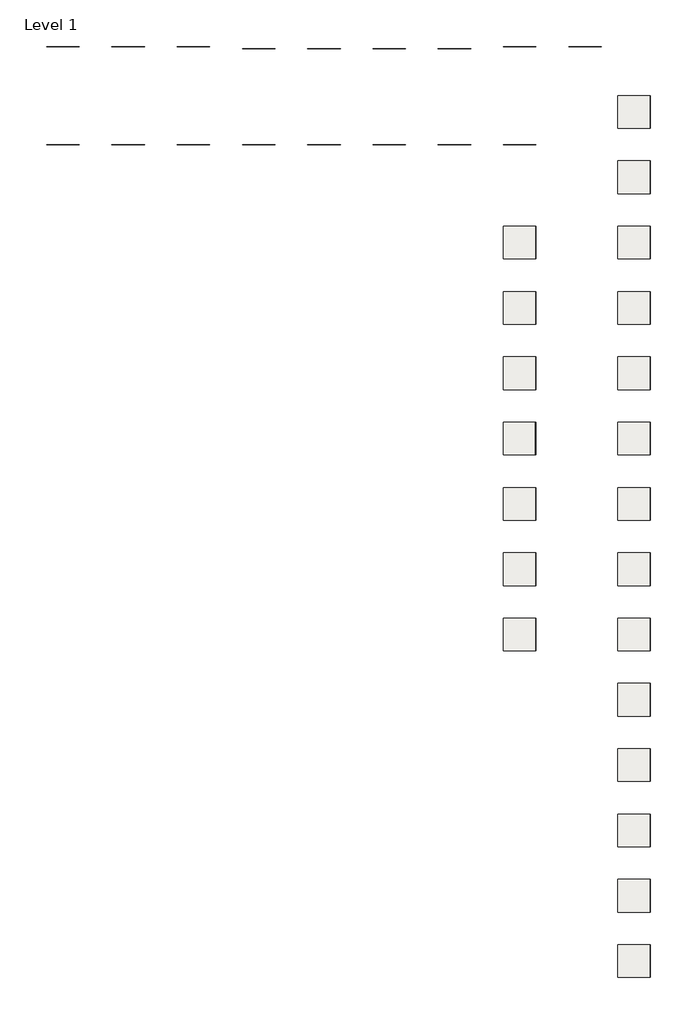
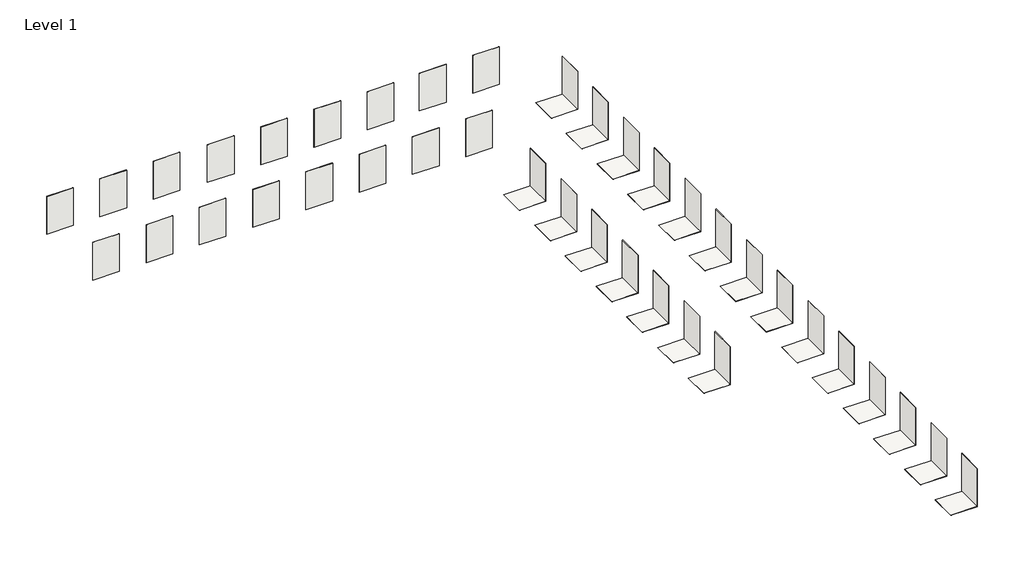
# One storey: 59 coverings.
"""IFC4 building model written with IfcOpenShell, lengths in millimetres."""

from ifc_helpers import new_model, si_unit, frame, origin, origin_with_axes, place, context, project, spatial, polyline, outline, extrude, element, save

model = new_model("IFC4")

# Units and contexts
model_context = context("Model", 3, world=origin())
ifc_project = project(units=[si_unit("LENGTHUNIT", "METRE", prefix="MILLI")], contexts=[model_context])

# Site, building, storey
site = spatial("IfcSite", under=ifc_project)
building = spatial("IfcBuilding", under=site)
storey = spatial("IfcBuildingStorey", under=building, Name="Level 1", Elevation=0.0)

# Coverings
placement = place(None, origin())
element("IfcCovering", 1, at=placement, inside=storey, context=model_context, shape_type="SweptSolid", body=[
    extrude(outline(polyline([(3527.0774266, -4501.9826748), (1527.0774266, -4501.9826748), (1527.0774266, -2501.9826748), (3527.0774266, -2501.9826748), (3527.0774266, -4501.9826748)])), frame((0.0, 0.0, -10.5), z_axis=(0.0, 0.0, 1.0), x_axis=(1.0, 0.0, 0.0)), (0.0, 0.0, 1.0), 10.5),
])
element("IfcCovering", 2, at=placement, inside=storey, context=model_context, shape_type="SweptSolid", body=[
    extrude(outline(polyline([(3516.5774266, -4501.9826748), (3516.5774266, -2501.9826748), (3527.0774266, -2501.9826748), (3527.0774266, -4501.9826748), (3516.5774266, -4501.9826748)])), origin_with_axes(), (0.0, 0.0, 1.0), 3000.0),
])
element("IfcCovering", 3, at=placement, inside=storey, context=model_context, shape_type="SweptSolid", body=[
    extrude(outline(polyline([(3527.0774266, -8501.9826748), (1527.0774266, -8501.9826748), (1527.0774266, -6501.9826748), (3527.0774266, -6501.9826748), (3527.0774266, -8501.9826748)])), frame((0.0, 0.0, -10.5), z_axis=(0.0, 0.0, 1.0), x_axis=(1.0, 0.0, 0.0)), (0.0, 0.0, 1.0), 10.5),
])
element("IfcCovering", 4, at=placement, inside=storey, context=model_context, shape_type="SweptSolid", body=[
    extrude(outline(polyline([(3516.5774266, -8501.9826748), (3516.5774266, -6501.9826748), (3527.0774266, -6501.9826748), (3527.0774266, -8501.9826748), (3516.5774266, -8501.9826748)])), origin_with_axes(), (0.0, 0.0, 1.0), 3000.0),
])
element("IfcCovering", 5, at=placement, inside=storey, context=model_context, shape_type="SweptSolid", body=[
    extrude(outline(polyline([(3527.0774266, 3498.0173252), (1527.0774266, 3498.0173252), (1527.0774266, 5498.0173252), (3527.0774266, 5498.0173252), (3527.0774266, 3498.0173252)])), frame((0.0, 0.0, -10.5), z_axis=(0.0, 0.0, 1.0), x_axis=(1.0, 0.0, 0.0)), (0.0, 0.0, 1.0), 10.5),
])
element("IfcCovering", 6, at=placement, inside=storey, context=model_context, shape_type="SweptSolid", body=[
    extrude(outline(polyline([(3516.5774266, 3498.0173252), (3516.5774266, 5498.0173252), (3527.0774266, 5498.0173252), (3527.0774266, 3498.0173252), (3516.5774266, 3498.0173252)])), origin_with_axes(), (0.0, 0.0, 1.0), 3000.0),
])
element("IfcCovering", 7, at=placement, inside=storey, context=model_context, shape_type="SweptSolid", body=[
    extrude(outline(polyline([(3527.0774266, -501.9826748), (1527.0774266, -501.9826748), (1527.0774266, 1498.0173252), (3527.0774266, 1498.0173252), (3527.0774266, -501.9826748)])), frame((0.0, 0.0, -10.5), z_axis=(0.0, 0.0, 1.0), x_axis=(1.0, 0.0, 0.0)), (0.0, 0.0, 1.0), 10.5),
])
element("IfcCovering", 8, at=placement, inside=storey, context=model_context, shape_type="SweptSolid", body=[
    extrude(outline(polyline([(3516.5774266, -501.9826748), (3516.5774266, 1498.0173252), (3527.0774266, 1498.0173252), (3527.0774266, -501.9826748), (3516.5774266, -501.9826748)])), origin_with_axes(), (0.0, 0.0, 1.0), 3000.0),
])
element("IfcCovering", 9, at=placement, inside=storey, context=model_context, shape_type="SweptSolid", body=[
    extrude(outline(polyline([(3527.0774266, -12501.9826748), (1527.0774266, -12501.9826748), (1527.0774266, -10501.9826748), (3527.0774266, -10501.9826748), (3527.0774266, -12501.9826748)])), frame((0.0, 0.0, -10.5), z_axis=(0.0, 0.0, 1.0), x_axis=(1.0, 0.0, 0.0)), (0.0, 0.0, 1.0), 10.5),
])
element("IfcCovering", 10, at=placement, inside=storey, context=model_context, shape_type="SweptSolid", body=[
    extrude(outline(polyline([(3516.5774266, -12501.9826748), (3516.5774266, -10501.9826748), (3527.0774266, -10501.9826748), (3527.0774266, -12501.9826748), (3516.5774266, -12501.9826748)])), origin_with_axes(), (0.0, 0.0, 1.0), 3000.0),
])
element("IfcCovering", 11, at=placement, inside=storey, context=model_context, shape_type="SweptSolid", body=[
    extrude(outline(polyline([(3527.0774266, -16501.9826748), (1527.0774266, -16501.9826748), (1527.0774266, -14501.9826748), (3527.0774266, -14501.9826748), (3527.0774266, -16501.9826748)])), frame((0.0, 0.0, -10.5), z_axis=(0.0, 0.0, 1.0), x_axis=(1.0, 0.0, 0.0)), (0.0, 0.0, 1.0), 10.5),
])
element("IfcCovering", 12, at=placement, inside=storey, context=model_context, shape_type="SweptSolid", body=[
    extrude(outline(polyline([(3516.5774266, -16501.9826748), (3516.5774266, -14501.9826748), (3527.0774266, -14501.9826748), (3527.0774266, -16501.9826748), (3516.5774266, -16501.9826748)])), origin_with_axes(), (0.0, 0.0, 1.0), 3000.0),
])
element("IfcCovering", 13, at=placement, inside=storey, context=model_context, shape_type="SweptSolid", body=[
    extrude(outline(polyline([(3527.0774266, -20501.9826748), (1527.0774266, -20501.9826748), (1527.0774266, -18501.9826748), (3527.0774266, -18501.9826748), (3527.0774266, -20501.9826748)])), frame((0.0, 0.0, -11.5), z_axis=(0.0, 0.0, 1.0), x_axis=(1.0, 0.0, 0.0)), (0.0, 0.0, 1.0), 11.5),
])
element("IfcCovering", 14, at=placement, inside=storey, context=model_context, shape_type="SweptSolid", body=[
    extrude(outline(polyline([(3515.5774266, -20501.9826748), (3515.5774266, -18501.9826748), (3527.0774266, -18501.9826748), (3527.0774266, -20501.9826748), (3515.5774266, -20501.9826748)])), origin_with_axes(), (0.0, 0.0, 1.0), 3000.0),
])
element("IfcCovering", 15, at=placement, inside=storey, context=model_context, shape_type="SweptSolid", body=[
    extrude(outline(polyline([(3527.0774266, -24501.9826748), (1527.0774266, -24501.9826748), (1527.0774266, -22501.9826748), (3527.0774266, -22501.9826748), (3527.0774266, -24501.9826748)])), frame((0.0, 0.0, -11.5), z_axis=(0.0, 0.0, 1.0), x_axis=(1.0, 0.0, 0.0)), (0.0, 0.0, 1.0), 11.5),
])
element("IfcCovering", 16, at=placement, inside=storey, context=model_context, shape_type="SweptSolid", body=[
    extrude(outline(polyline([(3515.5774266, -24501.9826748), (3515.5774266, -22501.9826748), (3527.0774266, -22501.9826748), (3527.0774266, -24501.9826748), (3515.5774266, -24501.9826748)])), origin_with_axes(), (0.0, 0.0, 1.0), 3000.0),
])
element("IfcCovering", 17, at=placement, inside=storey, context=model_context, shape_type="SweptSolid", body=[
    extrude(outline(polyline([(3527.0774266, -28501.9826748), (1527.0774266, -28501.9826748), (1527.0774266, -26501.9826748), (3527.0774266, -26501.9826748), (3527.0774266, -28501.9826748)])), frame((0.0, 0.0, -11.5), z_axis=(0.0, 0.0, 1.0), x_axis=(1.0, 0.0, 0.0)), (0.0, 0.0, 1.0), 11.5),
])
element("IfcCovering", 18, at=placement, inside=storey, context=model_context, shape_type="SweptSolid", body=[
    extrude(outline(polyline([(3515.5774266, -28501.9826748), (3515.5774266, -26501.9826748), (3527.0774266, -26501.9826748), (3527.0774266, -28501.9826748), (3515.5774266, -28501.9826748)])), origin_with_axes(), (0.0, 0.0, 1.0), 3000.0),
])
element("IfcCovering", 19, at=placement, inside=storey, context=model_context, shape_type="SweptSolid", body=[
    extrude(outline(polyline([(3527.0774266, -32501.9826748), (1527.0774266, -32501.9826748), (1527.0774266, -30501.9826748), (3527.0774266, -30501.9826748), (3527.0774266, -32501.9826748)])), frame((0.0, 0.0, -11.5), z_axis=(0.0, 0.0, 1.0), x_axis=(1.0, 0.0, 0.0)), (0.0, 0.0, 1.0), 11.5),
])
element("IfcCovering", 20, at=placement, inside=storey, context=model_context, shape_type="SweptSolid", body=[
    extrude(outline(polyline([(3515.5774266, -32501.9826748), (3515.5774266, -30501.9826748), (3527.0774266, -30501.9826748), (3527.0774266, -32501.9826748), (3515.5774266, -32501.9826748)])), origin_with_axes(), (0.0, 0.0, 1.0), 3000.0),
])
element("IfcCovering", 21, at=placement, inside=storey, context=model_context, shape_type="SweptSolid", body=[
    extrude(outline(polyline([(3527.0774266, -36501.9826748), (1527.0774266, -36501.9826748), (1527.0774266, -34501.9826748), (3527.0774266, -34501.9826748), (3527.0774266, -36501.9826748)])), frame((0.0, 0.0, -9.4), z_axis=(0.0, 0.0, 1.0), x_axis=(1.0, 0.0, 0.0)), (0.0, 0.0, 1.0), 9.4),
])
element("IfcCovering", 22, at=placement, inside=storey, context=model_context, shape_type="SweptSolid", body=[
    extrude(outline(polyline([(3517.6774266, -36501.9826748), (3517.6774266, -34501.9826748), (3527.0774266, -34501.9826748), (3527.0774266, -36501.9826748), (3517.6774266, -36501.9826748)])), origin_with_axes(), (0.0, 0.0, 1.0), 3000.0),
])
element("IfcCovering", 23, at=placement, inside=storey, context=model_context, shape_type="SweptSolid", body=[
    extrude(outline(polyline([(3527.0774266, -40501.9826748), (1527.0774266, -40501.9826748), (1527.0774266, -38501.9826748), (3527.0774266, -38501.9826748), (3527.0774266, -40501.9826748)])), frame((0.0, 0.0, -9.4), z_axis=(0.0, 0.0, 1.0), x_axis=(1.0, 0.0, 0.0)), (0.0, 0.0, 1.0), 9.4),
])
element("IfcCovering", 24, at=placement, inside=storey, context=model_context, shape_type="SweptSolid", body=[
    extrude(outline(polyline([(3517.6774266, -40501.9826748), (3517.6774266, -38501.9826748), (3527.0774266, -38501.9826748), (3527.0774266, -40501.9826748), (3517.6774266, -40501.9826748)])), origin_with_axes(), (0.0, 0.0, 1.0), 3000.0),
])
element("IfcCovering", 25, at=placement, inside=storey, context=model_context, shape_type="SweptSolid", body=[
    extrude(outline(polyline([(3527.0774266, -44501.9826748), (1527.0774266, -44501.9826748), (1527.0774266, -42501.9826748), (3527.0774266, -42501.9826748), (3527.0774266, -44501.9826748)])), frame((0.0, 0.0, -9.4), z_axis=(0.0, 0.0, 1.0), x_axis=(1.0, 0.0, 0.0)), (0.0, 0.0, 1.0), 9.4),
])
element("IfcCovering", 26, at=placement, inside=storey, context=model_context, shape_type="SweptSolid", body=[
    extrude(outline(polyline([(3517.6774266, -44501.9826748), (3517.6774266, -42501.9826748), (3527.0774266, -42501.9826748), (3527.0774266, -44501.9826748), (3517.6774266, -44501.9826748)])), origin_with_axes(), (0.0, 0.0, 1.0), 3000.0),
])
element("IfcCovering", 27, at=placement, inside=storey, context=model_context, shape_type="SweptSolid", body=[
    extrude(outline(polyline([(3527.0774266, -48501.9826748), (1527.0774266, -48501.9826748), (1527.0774266, -46501.9826748), (3527.0774266, -46501.9826748), (3527.0774266, -48501.9826748)])), frame((0.0, 0.0, -10.5), z_axis=(0.0, 0.0, 1.0), x_axis=(1.0, 0.0, 0.0)), (0.0, 0.0, 1.0), 10.5),
])
element("IfcCovering", 28, at=placement, inside=storey, context=model_context, shape_type="SweptSolid", body=[
    extrude(outline(polyline([(3516.5774266, -48501.9826748), (3516.5774266, -46501.9826748), (3527.0774266, -46501.9826748), (3527.0774266, -48501.9826748), (3516.5774266, -48501.9826748)])), origin_with_axes(), (0.0, 0.0, 1.0), 3000.0),
])
element("IfcCovering", 29, at=placement, inside=storey, context=model_context, shape_type="SweptSolid", body=[
    extrude(outline(polyline([(-3482.9225734, -4501.9826748), (-3482.9225734, -2501.9826748), (-3472.9225734, -2501.9826748), (-3472.9225734, -4501.9826748), (-3482.9225734, -4501.9826748)])), origin_with_axes(), (0.0, 0.0, 1.0), 3000.0),
])
element("IfcCovering", 30, at=placement, inside=storey, context=model_context, shape_type="SweptSolid", body=[
    extrude(outline(polyline([(-31472.9225734, 8489.4173252), (-33472.9225734, 8489.4173252), (-33472.9225734, 8498.0173252), (-31472.9225734, 8498.0173252), (-31472.9225734, 8489.4173252)])), origin_with_axes(), (0.0, 0.0, 1.0), 3000.0),
])
element("IfcCovering", 31, at=placement, inside=storey, context=model_context, shape_type="SweptSolid", body=[
    extrude(outline(polyline([(-3482.9225734, -8501.9826748), (-3482.9225734, -6501.9826748), (-3472.9225734, -6501.9826748), (-3472.9225734, -8501.9826748), (-3482.9225734, -8501.9826748)])), origin_with_axes(), (0.0, 0.0, 1.0), 3000.0),
])
element("IfcCovering", 32, at=placement, inside=storey, context=model_context, shape_type="SweptSolid", body=[
    extrude(outline(polyline([(-3482.3225734, -12501.9826748), (-3482.3225734, -10501.9826748), (-3472.9225734, -10501.9826748), (-3472.9225734, -12501.9826748), (-3482.3225734, -12501.9826748)])), origin_with_axes(), (0.0, 0.0, 1.0), 3000.0),
])
element("IfcCovering", 33, at=placement, inside=storey, context=model_context, shape_type="SweptSolid", body=[
    extrude(outline(polyline([(-3512.9225734, -16501.9826748), (-3512.9225734, -14501.9826748), (-3472.9225734, -14501.9826748), (-3472.9225734, -16501.9826748), (-3512.9225734, -16501.9826748)])), origin_with_axes(), (0.0, 0.0, 1.0), 3000.0),
])
element("IfcCovering", 34, at=placement, inside=storey, context=model_context, shape_type="SweptSolid", body=[
    extrude(outline(polyline([(-3482.3225734, -20501.9826748), (-3482.3225734, -18501.9826748), (-3472.9225734, -18501.9826748), (-3472.9225734, -20501.9826748), (-3482.3225734, -20501.9826748)])), origin_with_axes(), (0.0, 0.0, 1.0), 3000.0),
])
element("IfcCovering", 35, at=placement, inside=storey, context=model_context, shape_type="SweptSolid", body=[
    extrude(outline(polyline([(-3482.9225734, -24501.9826748), (-3482.9225734, -22501.9826748), (-3472.9225734, -22501.9826748), (-3472.9225734, -24501.9826748), (-3482.9225734, -24501.9826748)])), origin_with_axes(), (0.0, 0.0, 1.0), 3000.0),
])
element("IfcCovering", 36, at=placement, inside=storey, context=model_context, shape_type="SweptSolid", body=[
    extrude(outline(polyline([(-3482.3225734, -28501.9826748), (-3482.3225734, -26501.9826748), (-3472.9225734, -26501.9826748), (-3472.9225734, -28501.9826748), (-3482.3225734, -28501.9826748)])), origin_with_axes(), (0.0, 0.0, 1.0), 3000.0),
])
element("IfcCovering", 37, at=placement, inside=storey, context=model_context, shape_type="SweptSolid", body=[
    extrude(outline(polyline([(-27472.9225734, 8489.4173252), (-29472.9225734, 8489.4173252), (-29472.9225734, 8499.0173252), (-27472.9225734, 8499.0173252), (-27472.9225734, 8489.4173252)])), origin_with_axes(), (0.0, 0.0, 1.0), 3000.0),
])
element("IfcCovering", 38, at=placement, inside=storey, context=model_context, shape_type="SweptSolid", body=[
    extrude(outline(polyline([(-3472.9225734, -4501.9826748), (-5472.9225734, -4501.9826748), (-5472.9225734, -2501.9826748), (-3472.9225734, -2501.9826748), (-3472.9225734, -4501.9826748)])), frame((0.0, 0.0, -10.0), z_axis=(0.0, 0.0, 1.0), x_axis=(1.0, 0.0, 0.0)), (0.0, 0.0, 1.0), 10.0),
])
element("IfcCovering", 39, at=placement, inside=storey, context=model_context, shape_type="SweptSolid", body=[
    extrude(outline(polyline([(-3472.9225734, -8501.9826748), (-5472.9225734, -8501.9826748), (-5472.9225734, -6501.9826748), (-3472.9225734, -6501.9826748), (-3472.9225734, -8501.9826748)])), frame((0.0, 0.0, -10.0), z_axis=(0.0, 0.0, 1.0), x_axis=(1.0, 0.0, 0.0)), (0.0, 0.0, 1.0), 10.0),
])
element("IfcCovering", 40, at=placement, inside=storey, context=model_context, shape_type="SweptSolid", body=[
    extrude(outline(polyline([(-3472.9225734, -12501.9826748), (-5472.9225734, -12501.9826748), (-5472.9225734, -10501.9826748), (-3472.9225734, -10501.9826748), (-3472.9225734, -12501.9826748)])), frame((0.0, 0.0, -9.4), z_axis=(0.0, 0.0, 1.0), x_axis=(1.0, 0.0, 0.0)), (0.0, 0.0, 1.0), 9.4),
])
element("IfcCovering", 41, at=placement, inside=storey, context=model_context, shape_type="SweptSolid", body=[
    extrude(outline(polyline([(-3472.9225734, -16501.9826748), (-5472.9225734, -16501.9826748), (-5472.9225734, -14501.9826748), (-3472.9225734, -14501.9826748), (-3472.9225734, -16501.9826748)])), frame((0.0, 0.0, -10.0), z_axis=(0.0, 0.0, 1.0), x_axis=(1.0, 0.0, 0.0)), (0.0, 0.0, 1.0), 10.0),
])
element("IfcCovering", 42, at=placement, inside=storey, context=model_context, shape_type="SweptSolid", body=[
    extrude(outline(polyline([(-3472.9225734, -20501.9826748), (-5472.9225734, -20501.9826748), (-5472.9225734, -18501.9826748), (-3472.9225734, -18501.9826748), (-3472.9225734, -20501.9826748)])), frame((0.0, 0.0, -9.4), z_axis=(0.0, 0.0, 1.0), x_axis=(1.0, 0.0, 0.0)), (0.0, 0.0, 1.0), 9.4),
])
element("IfcCovering", 43, at=placement, inside=storey, context=model_context, shape_type="SweptSolid", body=[
    extrude(outline(polyline([(-3472.9225734, -24501.9826748), (-5472.9225734, -24501.9826748), (-5472.9225734, -22501.9826748), (-3472.9225734, -22501.9826748), (-3472.9225734, -24501.9826748)])), frame((0.0, 0.0, -10.0), z_axis=(0.0, 0.0, 1.0), x_axis=(1.0, 0.0, 0.0)), (0.0, 0.0, 1.0), 10.0),
])
element("IfcCovering", 44, at=placement, inside=storey, context=model_context, shape_type="SweptSolid", body=[
    extrude(outline(polyline([(-3472.9225734, -28501.9826748), (-5472.9225734, -28501.9826748), (-5472.9225734, -26501.9826748), (-3472.9225734, -26501.9826748), (-3472.9225734, -28501.9826748)])), frame((0.0, 0.0, -9.4), z_axis=(0.0, 0.0, 1.0), x_axis=(1.0, 0.0, 0.0)), (0.0, 0.0, 1.0), 9.4),
])
element("IfcCovering", 45, at=placement, inside=storey, context=model_context, shape_type="SweptSolid", body=[
    extrude(outline(polyline([(-5472.9225734, 2488.8173252), (-3472.9225734, 2488.8173252), (-3472.9225734, 2476.8173252), (-5472.9225734, 2476.8173252), (-5472.9225734, 2488.8173252)])), origin_with_axes(), (0.0, 0.0, 1.0), 3000.0),
])
element("IfcCovering", 46, at=placement, inside=storey, context=model_context, shape_type="SweptSolid", body=[
    extrude(outline(polyline([(-9472.9225734, 2488.8173252), (-7472.9225734, 2488.8173252), (-7472.9225734, 2476.8173252), (-9472.9225734, 2476.8173252), (-9472.9225734, 2488.8173252)])), origin_with_axes(), (0.0, 0.0, 1.0), 3000.0),
])
element("IfcCovering", 47, at=placement, inside=storey, context=model_context, shape_type="SweptSolid", body=[
    extrude(outline(polyline([(-13472.9225734, 2488.8173252), (-11472.9225734, 2488.8173252), (-11472.9225734, 2476.8173252), (-13472.9225734, 2476.8173252), (-13472.9225734, 2488.8173252)])), origin_with_axes(), (0.0, 0.0, 1.0), 3000.0),
])
element("IfcCovering", 48, at=placement, inside=storey, context=model_context, shape_type="SweptSolid", body=[
    extrude(outline(polyline([(-17472.9225734, 2488.8173252), (-15472.9225734, 2488.8173252), (-15472.9225734, 2476.8173252), (-17472.9225734, 2476.8173252), (-17472.9225734, 2488.8173252)])), origin_with_axes(), (0.0, 0.0, 1.0), 3000.0),
])
element("IfcCovering", 49, at=placement, inside=storey, context=model_context, shape_type="SweptSolid", body=[
    extrude(outline(polyline([(-21472.9225734, 2488.8173252), (-19472.9225734, 2488.8173252), (-19472.9225734, 2476.8173252), (-21472.9225734, 2476.8173252), (-21472.9225734, 2488.8173252)])), origin_with_axes(), (0.0, 0.0, 1.0), 3000.0),
])
element("IfcCovering", 50, at=placement, inside=storey, context=model_context, shape_type="SweptSolid", body=[
    extrude(outline(polyline([(-25472.9225734, 2485.4173252), (-23472.9225734, 2485.4173252), (-23472.9225734, 2476.8173252), (-25472.9225734, 2476.8173252), (-25472.9225734, 2485.4173252)])), origin_with_axes(), (0.0, 0.0, 1.0), 3000.0),
])
element("IfcCovering", 51, at=placement, inside=storey, context=model_context, shape_type="SweptSolid", body=[
    extrude(outline(polyline([(-29472.9225734, 2485.4173252), (-27472.9225734, 2485.4173252), (-27472.9225734, 2476.8173252), (-29472.9225734, 2476.8173252), (-29472.9225734, 2485.4173252)])), origin_with_axes(), (0.0, 0.0, 1.0), 3000.0),
])
element("IfcCovering", 52, at=placement, inside=storey, context=model_context, shape_type="SweptSolid", body=[
    extrude(outline(polyline([(-33472.9225734, 2485.4173252), (-31472.9225734, 2485.4173252), (-31472.9225734, 2476.8173252), (-33472.9225734, 2476.8173252), (-33472.9225734, 2485.4173252)])), origin_with_axes(), (0.0, 0.0, 1.0), 3000.0),
])
element("IfcCovering", 53, at=placement, inside=storey, context=model_context, shape_type="SweptSolid", body=[
    extrude(outline(polyline([(-19472.9225734, 8349.2193384), (-21472.9225734, 8349.2193384), (-21472.9225734, 8357.8193384), (-19472.9225734, 8357.8193384), (-19472.9225734, 8349.2193384)])), origin_with_axes(), (0.0, 0.0, 1.0), 3000.0),
])
element("IfcCovering", 54, at=placement, inside=storey, context=model_context, shape_type="SweptSolid", body=[
    extrude(outline(polyline([(-15472.9225734, 8349.2193384), (-17472.9225734, 8349.2193384), (-17472.9225734, 8358.4193384), (-15472.9225734, 8358.4193384), (-15472.9225734, 8349.2193384)])), origin_with_axes(), (0.0, 0.0, 1.0), 3000.0),
])
element("IfcCovering", 55, at=placement, inside=storey, context=model_context, shape_type="SweptSolid", body=[
    extrude(outline(polyline([(-11472.9225734, 8349.2193384), (-13472.9225734, 8349.2193384), (-13472.9225734, 8358.4193384), (-11472.9225734, 8358.4193384), (-11472.9225734, 8349.2193384)])), origin_with_axes(), (0.0, 0.0, 1.0), 3000.0),
])
element("IfcCovering", 56, at=placement, inside=storey, context=model_context, shape_type="SweptSolid", body=[
    extrude(outline(polyline([(-7472.9225734, 8349.2193384), (-9472.9225734, 8349.2193384), (-9472.9225734, 8358.4193384), (-7472.9225734, 8358.4193384), (-7472.9225734, 8349.2193384)])), origin_with_axes(), (0.0, 0.0, 1.0), 3000.0),
])
element("IfcCovering", 57, at=placement, inside=storey, context=model_context, shape_type="SweptSolid", body=[
    extrude(outline(polyline([(-3475.3592653, 8488.8173252), (-5475.3592653, 8488.8173252), (-5475.3592653, 8498.0173252), (-3475.3592653, 8498.0173252), (-3475.3592653, 8488.8173252)])), origin_with_axes(), (0.0, 0.0, 1.0), 3000.0),
])
element("IfcCovering", 58, at=placement, inside=storey, context=model_context, shape_type="SweptSolid", body=[
    extrude(outline(polyline([(524.6407347, 8488.8173252), (-1475.3592653, 8488.8173252), (-1475.3592653, 8498.0173252), (524.6407347, 8498.0173252), (524.6407347, 8488.8173252)])), origin_with_axes(), (0.0, 0.0, 1.0), 3000.0),
])
element("IfcCovering", 59, at=placement, inside=storey, context=model_context, shape_type="SweptSolid", body=[
    extrude(outline(polyline([(-23472.9225734, 8489.4173252), (-25472.9225734, 8489.4173252), (-25472.9225734, 8498.0173252), (-23472.9225734, 8498.0173252), (-23472.9225734, 8489.4173252)])), origin_with_axes(), (0.0, 0.0, 1.0), 3000.0),
])

save(model, "model.ifc")
